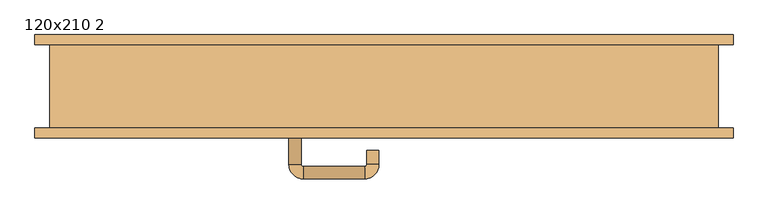
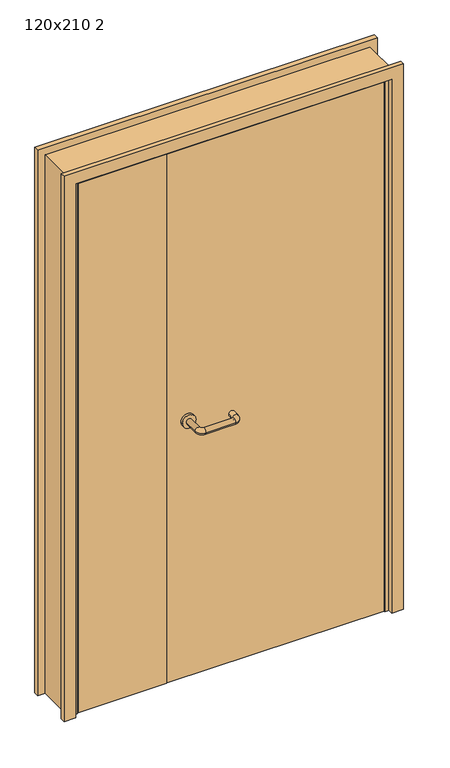
"""IFC4 building model written with IfcOpenShell, lengths in millimetres: door geometry, 120x210 2."""

from ifc_helpers import new_model, si_unit, point, frame, frame_2d, origin, place, context, project, spatial, polyline, circle_curve, ellipse_curve, trimmed, segment, composite_curve, outline, extrude, faceted_brep, source, transform, mapped, element, save
from ifc_brep_helpers import plane_surface, cylinder_surface, revolved_surface, advanced_brep


def door_120x210_2_6ade955f(model_context):
    return source(origin(), model_context, "Body", "SolidModel", [
        faceted_brep([(547.0, 47.0, 0.0), (568.0, 47.0, 0.0), (568.0, -28.0, 0.0), (547.0, -28.0, 0.0), (547.0, -28.0, 2047.0), (547.0, 47.0, 2047.0), (568.0, -28.0, 2068.0), (568.0, 47.0, 2068.0), (-547.0, 47.0, 0.0), (-547.0, -28.0, 0.0), (-568.0, -28.0, 0.0), (-568.0, 47.0, 0.0), (-547.0, 47.0, 2047.0), (-568.0, 47.0, 2068.0), (-568.0, -28.0, 2068.0), (-547.0, -28.0, 2047.0)], [[[0, 1, 2, 3]], [[3, 4, 5, 0]], [[2, 6, 4, 3]], [[1, 7, 6, 2]], [[0, 5, 7, 1]], [[8, 9, 10, 11]], [[12, 8, 11, 13]], [[13, 11, 10, 14]], [[14, 10, 9, 15]], [[15, 9, 8, 12]], [[4, 15, 12, 5]], [[6, 14, 15, 4]], [[7, 13, 14, 6]], [[5, 12, 13, 7]]]),
        extrude(outline(polyline([(2127.0, 627.0), (2127.0, -627.0), (0.0, -627.0), (0.0, -583.0), (2083.0, -583.0), (2083.0, 583.0), (0.0, 583.0), (0.0, 627.0), (2127.0, 627.0)])), frame((0.0, -93.0, 0.0), z_axis=(0.0, 1.0, 0.0), x_axis=(0.0, 0.0, 1.0)), (0.0, 0.0, 1.0), 18.0),
        extrude(outline(polyline([(2127.0, -627.0), (0.0, -627.0), (0.0, -583.0), (2083.0, -583.0), (2083.0, 583.0), (0.0, 583.0), (0.0, 627.0), (2127.0, 627.0), (2127.0, -627.0)])), frame((0.0, 75.0, 0.0), z_axis=(0.0, 1.0, 0.0), x_axis=(0.0, 0.0, 1.0)), (0.0, 0.0, 1.0), 18.0),
        extrude(outline(polyline([(2100.0, -600.0), (0.0, -600.0), (0.0, -568.0), (2068.0, -568.0), (2068.0, 568.0), (0.0, 568.0), (0.0, 600.0), (2100.0, 600.0), (2100.0, -600.0)])), frame((0.0, -75.0, 0.0), z_axis=(0.0, 1.0, 0.0), x_axis=(0.0, 0.0, 1.0)), (0.0, 0.0, 1.0), 150.0),
        advanced_brep(
        [(-171.0, -20.8874183, 1003.0), (-149.0, -20.8874183, 1003.0), (-149.0, 33.9968061, 1003.0), (-171.0, 33.9968061, 1003.0), (-145.0, 37.9968061, 1003.0), (-145.0, 59.9968061, 1003.0), (-35.0, 37.9968061, 1003.0), (-35.0, 59.9968061, 1003.0), (-31.0, 33.9968061, 1003.0), (-9.0, 33.9968061, 1003.0), (-9.0, 0.0, 1003.0), (-31.0, 0.0, 1003.0)],
        [
            (0, 1, circle_curve(frame((-160.0, -20.8874183, 1003.0), z_axis=(0.0, -1.0, 0.0), x_axis=(1.0, 0.0, 0.0)), 11.0)),
            (1, 0, circle_curve(frame((-160.0, -20.8874183, 1003.0), z_axis=(0.0, -1.0, 0.0), x_axis=(1.0, 0.0, 0.0)), 11.0)),
            (1, 2),
            (2, 3, circle_curve(frame((-160.0, 33.9968061, 1003.0), z_axis=(0.0, -1.0, 0.0), x_axis=(1.0, 0.0, 0.0)), 11.0)),
            (3, 0),
            (3, 2, circle_curve(frame((-160.0, 33.9968061, 1003.0), z_axis=(0.0, -1.0, 0.0), x_axis=(1.0, 0.0, 0.0)), 11.0)),
            (4, 5, circle_curve(frame((-145.0, 48.9968061, 1003.0), z_axis=(-1.0, 0.0, 0.0), x_axis=(0.0, -1.0, 0.0)), 11.0)),
            (5, 3, circle_curve(frame((-145.0, 33.9968061, 1003.0), z_axis=(0.0, 0.0, 1.0), x_axis=(-1.0, 0.0, 0.0)), 26.0)),
            (2, 4, circle_curve(frame((-145.0, 33.9968061, 1003.0), z_axis=(0.0, 0.0, -1.0), x_axis=(-1.0, 0.0, 0.0)), 4.0)),
            (5, 4, circle_curve(frame((-145.0, 48.9968061, 1003.0), z_axis=(-1.0, 0.0, 0.0), x_axis=(0.0, -1.0, 0.0)), 11.0)),
            (4, 6),
            (6, 7, circle_curve(frame((-35.0, 48.9968061, 1003.0), z_axis=(-1.0, 0.0, 0.0), x_axis=(0.0, -1.0, 0.0)), 11.0)),
            (7, 5),
            (7, 6, circle_curve(frame((-35.0, 48.9968061, 1003.0), z_axis=(-1.0, 0.0, 0.0), x_axis=(0.0, -1.0, 0.0)), 11.0)),
            (8, 9, circle_curve(frame((-20.0, 33.9968061, 1003.0), z_axis=(0.0, 1.0, 0.0), x_axis=(-1.0, 0.0, 0.0)), 11.0)),
            (9, 7, circle_curve(frame((-35.0, 33.9968061, 1003.0), z_axis=(0.0, 0.0, 1.0), x_axis=(0.0, 1.0, 0.0)), 26.0)),
            (6, 8, circle_curve(frame((-35.0, 33.9968061, 1003.0), z_axis=(0.0, 0.0, -1.0), x_axis=(0.0, 1.0, 0.0)), 4.0)),
            (9, 8, circle_curve(frame((-20.0, 33.9968061, 1003.0), z_axis=(0.0, 1.0, 0.0), x_axis=(-1.0, 0.0, 0.0)), 11.0)),
            (10, 11, circle_curve(frame((-20.0, 0.0, 1003.0), z_axis=(0.0, -1.0, 0.0), x_axis=(-1.0, 0.0, 0.0)), 11.0)),
            (11, 10, circle_curve(frame((-20.0, 0.0, 1003.0), z_axis=(0.0, -1.0, 0.0), x_axis=(-1.0, 0.0, 0.0)), 11.0)),
            (8, 11),
            (10, 9),
        ],
        [
            plane_surface(frame((-171.0, -20.8874183, 1003.0), z_axis=(0.0, -1.0, 0.0), x_axis=(0.0, 0.0, -1.0))),
            cylinder_surface(frame((-160.0, -20.8874183, 1003.0), z_axis=(0.0, -1.0, 0.0), x_axis=(1.0, 0.0, 0.0)), 11.0),
            revolved_surface(trimmed(ellipse_curve(frame((-160.0, 33.9968061, 1003.0), z_axis=(0.0, 1.0, 0.0), x_axis=(1.0, 0.0, 0.0)), 11.0, 11.0), [point((-171.0, 33.9968061, 1003.0))], [point((-149.0, 33.9968061, 1003.0))], True, "CARTESIAN"), (-145.0, 33.9968061, 1003.0), (0.0, 0.0, 1.0)),
            revolved_surface(trimmed(ellipse_curve(frame((-160.0, 33.9968061, 1003.0), z_axis=(0.0, 1.0, 0.0), x_axis=(1.0, 0.0, 0.0)), 11.0, 11.0), [point((-149.0, 33.9968061, 1003.0))], [point((-171.0, 33.9968061, 1003.0))], True, "CARTESIAN"), (-145.0, 33.9968061, 1003.0), (0.0, 0.0, 1.0)),
            cylinder_surface(frame((-145.0, 48.9968061, 1003.0), z_axis=(-1.0, 0.0, 0.0), x_axis=(0.0, -1.0, 0.0)), 11.0),
            revolved_surface(trimmed(ellipse_curve(frame((-35.0, 48.9968061, 1003.0), z_axis=(1.0, 0.0, 0.0), x_axis=(0.0, -1.0, 0.0)), 11.0, 11.0), [point((-35.0, 59.9968061, 1003.0))], [point((-35.0, 37.9968061, 1003.0))], True, "CARTESIAN"), (-35.0, 33.9968061, 1003.0), (0.0, 0.0, 1.0)),
            revolved_surface(trimmed(ellipse_curve(frame((-35.0, 48.9968061, 1003.0), z_axis=(1.0, 0.0, 0.0), x_axis=(0.0, -1.0, 0.0)), 11.0, 11.0), [point((-35.0, 37.9968061, 1003.0))], [point((-35.0, 59.9968061, 1003.0))], True, "CARTESIAN"), (-35.0, 33.9968061, 1003.0), (0.0, 0.0, 1.0)),
            plane_surface(frame((-31.0, 0.0, 1003.0), z_axis=(0.0, -1.0, 0.0), x_axis=(0.0, 0.0, 1.0))),
            cylinder_surface(frame((-20.0, 33.9968061, 1003.0), z_axis=(0.0, 1.0, 0.0), x_axis=(-1.0, 0.0, 0.0)), 11.0),
        ],
        [
            (0, [[1, 2]]),
            (1, [[3, 4, 5, -2]]),
            (1, [[-5, 6, -3, -1]]),
            (2, [[7, 8, -4, 9]]),
            (3, [[10, -9, -6, -8]]),
            (4, [[11, 12, 13, -7]]),
            (4, [[-13, 14, -11, -10]]),
            (5, [[15, 16, -12, 17]]),
            (6, [[18, -17, -14, -16]]),
            (7, [[19, 20]]),
            (8, [[21, -19, 22, -15]]),
            (8, [[-22, -20, -21, -18]]),
        ],
    ),
        extrude(outline(composite_curve([segment(trimmed(circle_curve(frame_2d((1003.0, -160.0)), 25.0), [point((1003.0, -185.0))], [point((1003.0, -135.0))], False, "CARTESIAN"), True, "CONTINUOUS"), segment(trimmed(circle_curve(frame_2d((1003.0, -160.0)), 25.0), [point((1003.0, -135.0))], [point((1003.0, -185.0))], False, "CARTESIAN"), True, "CONTINUOUS")], self_intersect=False)), frame((0.0, -31.0, 0.0), z_axis=(0.0, 1.0, 0.0), x_axis=(0.0, 0.0, 1.0)), (0.0, 0.0, 1.0), 10.1125817),
        advanced_brep(
        [(-149.0, -85.0, 1003.0), (-171.0, -85.0, 1003.0), (-171.0, -140.0, 1003.0), (-149.0, -140.0, 1003.0), (-145.0, -166.0, 1003.0), (-145.0, -144.0, 1003.0), (-35.0, -166.0, 1003.0), (-35.0, -144.0, 1003.0), (-9.0, -140.0, 1003.0), (-31.0, -140.0, 1003.0), (-31.0, -115.0, 1003.0), (-9.0, -115.0, 1003.0)],
        [
            (0, 1, circle_curve(frame((-160.0, -85.0, 1003.0), z_axis=(0.0, 1.0, 0.0), x_axis=(-1.0, 0.0, 0.0)), 11.0)),
            (1, 0, circle_curve(frame((-160.0, -85.0, 1003.0), z_axis=(0.0, 1.0, 0.0), x_axis=(-1.0, 0.0, 0.0)), 11.0)),
            (1, 2),
            (2, 3, circle_curve(frame((-160.0, -140.0, 1003.0), z_axis=(0.0, 1.0, 0.0), x_axis=(-1.0, 0.0, 0.0)), 11.0)),
            (3, 0),
            (3, 2, circle_curve(frame((-160.0, -140.0, 1003.0), z_axis=(0.0, 1.0, 0.0), x_axis=(-1.0, 0.0, 0.0)), 11.0)),
            (4, 5, circle_curve(frame((-145.0, -155.0, 1003.0), z_axis=(-1.0, 0.0, 0.0), x_axis=(0.0, -1.0, 0.0)), 11.0)),
            (5, 3, circle_curve(frame((-145.0, -140.0, 1003.0), z_axis=(0.0, 0.0, -1.0), x_axis=(-1.0, 0.0, 0.0)), 4.0)),
            (2, 4, circle_curve(frame((-145.0, -140.0, 1003.0), z_axis=(0.0, 0.0, 1.0), x_axis=(-1.0, 0.0, 0.0)), 26.0)),
            (5, 4, circle_curve(frame((-145.0, -155.0, 1003.0), z_axis=(-1.0, 0.0, 0.0), x_axis=(0.0, -1.0, 0.0)), 11.0)),
            (4, 6),
            (6, 7, circle_curve(frame((-35.0, -155.0, 1003.0), z_axis=(-1.0, 0.0, 0.0), x_axis=(0.0, -1.0, 0.0)), 11.0)),
            (7, 5),
            (7, 6, circle_curve(frame((-35.0, -155.0, 1003.0), z_axis=(-1.0, 0.0, 0.0), x_axis=(0.0, -1.0, 0.0)), 11.0)),
            (8, 9, circle_curve(frame((-20.0, -140.0, 1003.0), z_axis=(0.0, -1.0, 0.0), x_axis=(1.0, 0.0, 0.0)), 11.0)),
            (9, 7, circle_curve(frame((-35.0, -140.0, 1003.0), z_axis=(0.0, 0.0, -1.0), x_axis=(0.0, -1.0, 0.0)), 4.0)),
            (6, 8, circle_curve(frame((-35.0, -140.0, 1003.0), z_axis=(0.0, 0.0, 1.0), x_axis=(0.0, -1.0, 0.0)), 26.0)),
            (9, 8, circle_curve(frame((-20.0, -140.0, 1003.0), z_axis=(0.0, -1.0, 0.0), x_axis=(1.0, 0.0, 0.0)), 11.0)),
            (10, 11, circle_curve(frame((-20.0, -115.0, 1003.0), z_axis=(0.0, 1.0, 0.0), x_axis=(1.0, 0.0, 0.0)), 11.0)),
            (11, 10, circle_curve(frame((-20.0, -115.0, 1003.0), z_axis=(0.0, 1.0, 0.0), x_axis=(1.0, 0.0, 0.0)), 11.0)),
            (8, 11),
            (10, 9),
        ],
        [
            plane_surface(frame((-171.0, -85.0, 1003.0), z_axis=(0.0, 1.0, 0.0), x_axis=(0.0, 0.0, 1.0))),
            cylinder_surface(frame((-160.0, -85.0, 1003.0), z_axis=(0.0, 1.0, 0.0), x_axis=(-1.0, 0.0, 0.0)), 11.0),
            revolved_surface(trimmed(ellipse_curve(frame((-160.0, -140.0, 1003.0), z_axis=(0.0, -1.0, 0.0), x_axis=(-1.0, 0.0, 0.0)), 11.0, 11.0), [point((-149.0, -140.0, 1003.0))], [point((-171.0, -140.0, 1003.0))], True, "CARTESIAN"), (-145.0, -140.0, 1003.0), (0.0, 0.0, -1.0)),
            revolved_surface(trimmed(ellipse_curve(frame((-160.0, -140.0, 1003.0), z_axis=(0.0, -1.0, 0.0), x_axis=(-1.0, 0.0, 0.0)), 11.0, 11.0), [point((-171.0, -140.0, 1003.0))], [point((-149.0, -140.0, 1003.0))], True, "CARTESIAN"), (-145.0, -140.0, 1003.0), (0.0, 0.0, -1.0)),
            cylinder_surface(frame((-145.0, -155.0, 1003.0), z_axis=(-1.0, 0.0, 0.0), x_axis=(0.0, -1.0, 0.0)), 11.0),
            revolved_surface(trimmed(ellipse_curve(frame((-35.0, -155.0, 1003.0), z_axis=(1.0, 0.0, 0.0), x_axis=(0.0, -1.0, 0.0)), 11.0, 11.0), [point((-35.0, -144.0, 1003.0))], [point((-35.0, -166.0, 1003.0))], True, "CARTESIAN"), (-35.0, -140.0, 1003.0), (0.0, 0.0, -1.0)),
            revolved_surface(trimmed(ellipse_curve(frame((-35.0, -155.0, 1003.0), z_axis=(1.0, 0.0, 0.0), x_axis=(0.0, -1.0, 0.0)), 11.0, 11.0), [point((-35.0, -166.0, 1003.0))], [point((-35.0, -144.0, 1003.0))], True, "CARTESIAN"), (-35.0, -140.0, 1003.0), (0.0, 0.0, -1.0)),
            plane_surface(frame((-31.0, -115.0, 1003.0), z_axis=(0.0, 1.0, 0.0), x_axis=(0.0, 0.0, -1.0))),
            cylinder_surface(frame((-20.0, -140.0, 1003.0), z_axis=(0.0, -1.0, 0.0), x_axis=(1.0, 0.0, 0.0)), 11.0),
        ],
        [
            (0, [[1, 2]]),
            (1, [[3, 4, 5, -2]]),
            (1, [[-5, 6, -3, -1]]),
            (2, [[7, 8, -4, 9]]),
            (3, [[10, -9, -6, -8]]),
            (4, [[11, 12, 13, -7]]),
            (4, [[-13, 14, -11, -10]]),
            (5, [[15, 16, -12, 17]]),
            (6, [[18, -17, -14, -16]]),
            (7, [[19, 20]]),
            (8, [[21, -19, 22, -15]]),
            (8, [[-22, -20, -21, -18]]),
        ],
    ),
        extrude(outline(composite_curve([segment(trimmed(circle_curve(frame_2d((1003.0, -160.0)), 25.0), [point((1003.0, -135.0))], [point((1003.0, -185.0))], False, "CARTESIAN"), True, "CONTINUOUS"), segment(trimmed(circle_curve(frame_2d((1003.0, -160.0)), 25.0), [point((1003.0, -185.0))], [point((1003.0, -135.0))], False, "CARTESIAN"), True, "CONTINUOUS")], self_intersect=False)), frame((0.0, -85.0, 0.0), z_axis=(0.0, 1.0, 0.0), x_axis=(0.0, 0.0, 1.0)), (0.0, 0.0, 1.0), 10.0),
        extrude(outline(polyline([(-236.99898, -31.0), (-236.99898, -75.0), (-565.0, -75.0), (-565.0, -31.0), (-236.99898, -31.0)])), frame((0.0, 0.0, 3.0), z_axis=(0.0, 0.0, 1.0), x_axis=(1.0, 0.0, 0.0)), (0.0, 0.0, 1.0), 2062.0),
        extrude(outline(polyline([(565.0, -31.0), (565.0, -75.0), (-235.0, -75.0), (-235.0, -31.0), (565.0, -31.0)])), frame((0.0, 0.0, 3.0), z_axis=(0.0, 0.0, 1.0), x_axis=(1.0, 0.0, 0.0)), (0.0, 0.0, 1.0), 2062.0),
    ])


if __name__ == "__main__":
    model = new_model("IFC4")
    model_context = context("Model", 3, world=origin())
    ifc_project = project(units=[si_unit("LENGTHUNIT", "METRE", prefix="MILLI")], contexts=[model_context])
    site = spatial("IfcSite", under=ifc_project)
    building = spatial("IfcBuilding", under=site)
    placement = place(None, origin())
    door_120x210_2_shape = door_120x210_2_6ade955f(model_context)
    element("IfcDoor", 1, ObjectType="120x210 2", at=placement, inside=building, context=model_context, shape_type="MappedRepresentation", body=[
        mapped(door_120x210_2_shape, transform((0.0, 0.0, 0.0), x_axis=(1.0, 0.0, 0.0), y_axis=(0.0, 1.0, 0.0), z_axis=(0.0, 0.0, 1.0))),
    ])
    save(model, "model.ifc")
